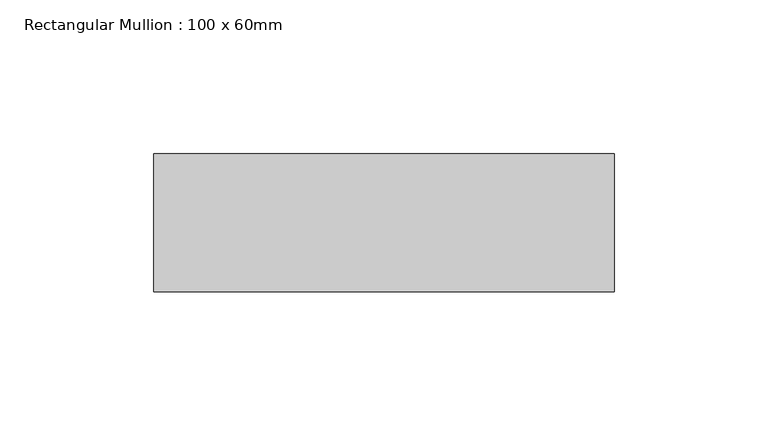
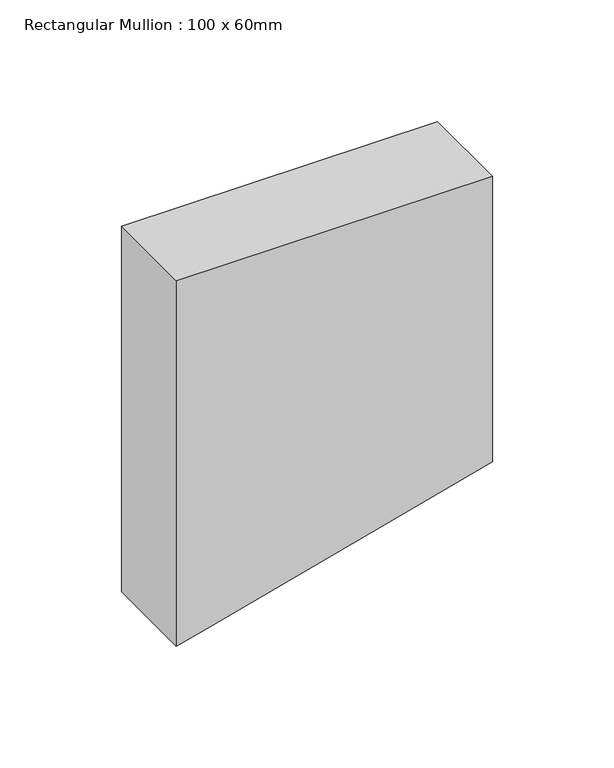
"""IFC4 building model written with IfcOpenShell, lengths in millimetres: member geometry, Rectangular Mullion : 100 x 60mm."""

from ifc_helpers import new_model, si_unit, frame, origin, place, context, project, spatial, polyline, outline, extrude, source, transform, mapped, element, save


def rectangular_mullion_100_x_60mm_6d49c76c(model_context):
    return source(origin(), model_context, "Body", "SweptSolid", [
        extrude(outline(polyline([(0.0, 75.0), (0.0, -75.0), (-183.3874983, -75.0), (-180.6288974, -64.7047613), (-143.1951195, 75.0), (0.0, 75.0)])), frame((0.0, -15.0, 0.0), z_axis=(0.0, 1.0, 0.0), x_axis=(0.0, 0.0, 1.0)), (0.0, 0.0, 1.0), 45.0),
    ])


if __name__ == "__main__":
    model = new_model("IFC4")
    model_context = context("Model", 3, world=origin())
    ifc_project = project(units=[si_unit("LENGTHUNIT", "METRE", prefix="MILLI")], contexts=[model_context])
    site = spatial("IfcSite", under=ifc_project)
    building = spatial("IfcBuilding", under=site)
    placement = place(None, origin())
    rectangular_mullion_100_x_60mm_shape = rectangular_mullion_100_x_60mm_6d49c76c(model_context)
    element("IfcMember", 1, ObjectType="Rectangular Mullion : 100 x 60mm", at=placement, inside=building, context=model_context, shape_type="MappedRepresentation", body=[
        mapped(rectangular_mullion_100_x_60mm_shape, transform((0.0, 0.0, 0.0), x_axis=(1.0, 0.0, 0.0), y_axis=(0.0, 1.0, 0.0), z_axis=(0.0, 0.0, 1.0))),
    ])
    save(model, "model.ifc")
